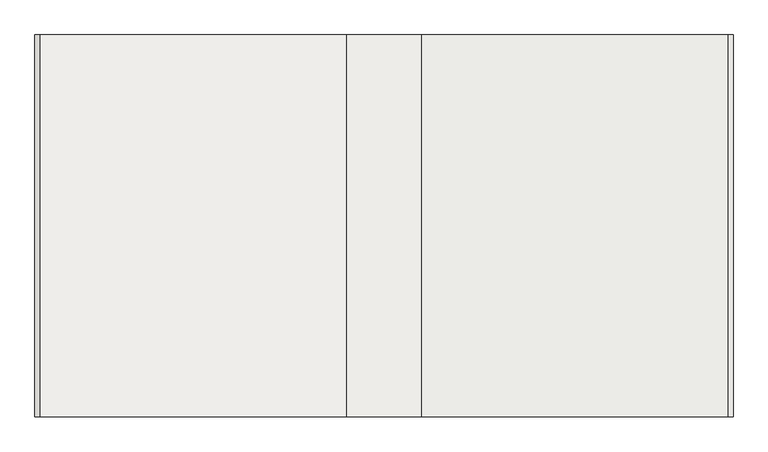
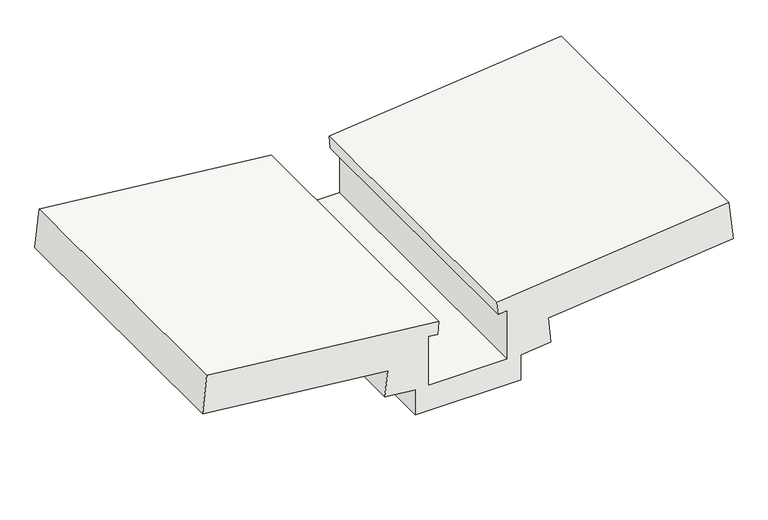
"""IFC4 building model written with IfcOpenShell, lengths in millimetres: roof geometry."""

from ifc_helpers import new_model, si_unit, frame, origin, place, context, project, spatial, polyline, outline, extrude, source, transform, mapped, element, save


def roof_f734052a(model_context):
    return source(origin(), model_context, "Body", "SweptSolid", [
        extrude(outline(polyline([(-139.7649905, 855.3751244), (-40.3158184, 855.3751244), (-28.2770392, 969.9164576), (71.1751504, 959.4636113), (144.867717, 1660.6015475), (294.0460013, 1644.922278), (201.5383113, 764.7704006), (151.8122165, 769.9968238), (155.5306257, 805.3751244), (-39.7649905, 805.3751244), (-39.7649905, 505.3751244), (155.5306257, 505.3751244), (151.8122165, 540.7534249), (201.5383113, 545.9798481), (294.0460013, -334.1720293), (144.867717, -349.8512988), (71.1751504, 351.2866374), (-28.2770392, 340.8337911), (-40.3158184, 455.3751244), (-139.7649905, 455.3751244), (-139.7649905, 855.3751244)])), frame((0.0, -27209.4794054, 0.0), z_axis=(0.0, 1.0, 0.0), x_axis=(0.0, 0.0, 1.0)), (0.0, 0.0, 1.0), 1100.0),
    ])


if __name__ == "__main__":
    model = new_model("IFC4")
    model_context = context("Model", 3, world=origin())
    ifc_project = project(units=[si_unit("LENGTHUNIT", "METRE", prefix="MILLI")], contexts=[model_context])
    site = spatial("IfcSite", under=ifc_project)
    building = spatial("IfcBuilding", under=site)
    placement = place(None, origin())
    roof_shape = roof_f734052a(model_context)
    element("IfcRoof", 1, at=placement, inside=building, context=model_context, shape_type="MappedRepresentation", body=[
        mapped(roof_shape, transform((0.0, 0.0, 0.0), x_axis=(1.0, 0.0, 0.0), y_axis=(0.0, 1.0, 0.0), z_axis=(0.0, 0.0, 1.0))),
    ])
    save(model, "model.ifc")
